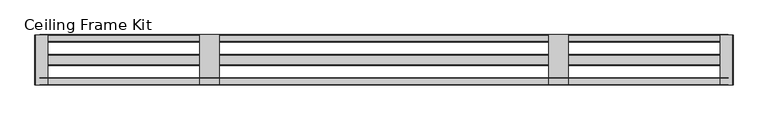
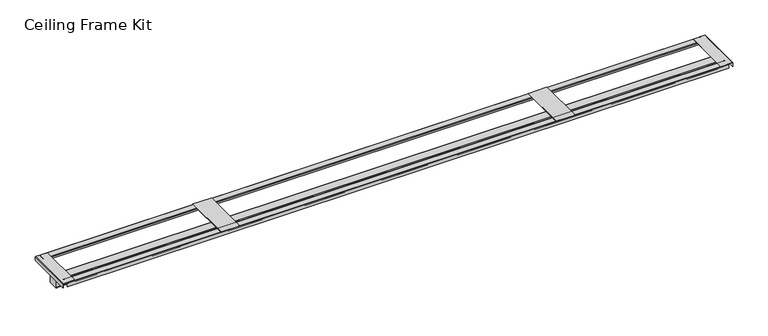
"""IFC4 building model written with IfcOpenShell, lengths in millimetres: proxy geometry, Ceiling Frame Kit."""

import ifcopenshell
import ifcopenshell.guid

model = None  # the IFC model being written
_history = None  # IfcOwnerHistory: only IFC2X3 demands one
_inside = {}  # id of a spatial element -> (the spatial element, [elements in it])
_under = {}  # id of a project, library or spatial element -> (it, [spatial elements below it])
_declared = {}  # id of a project -> (the project, [libraries it declares])
_typed = {}  # id of a type object -> (the type object, [elements of that type])
_made_of = {}  # id of a material, layer set ... -> (it, [elements and type objects made of it])


def new_model(schema):
    """Start an empty IFC model of exactly this schema.

    Asked for "IFC4X3", IfcOpenShell would pick the latest addendum, in which some entities
    have other attributes; the version numbers below select the first issue.
    IFC2X3 requires an IfcOwnerHistory on every rooted entity: one is made here for all.
    """
    global model, _history
    if schema == "IFC4X3":
        model = ifcopenshell.file(schema_version=(4, 3, 0, 0))
    else:
        model = ifcopenshell.file(schema=schema)
    _inside.clear()
    _under.clear()
    _declared.clear()
    _typed.clear()
    _made_of.clear()
    _history = None
    if model.schema == "IFC2X3":
        org = make("IfcOrganization", Name="unknown")
        user = make(
            "IfcPersonAndOrganization",
            ThePerson=make("IfcPerson", FamilyName="unknown"),
            TheOrganization=org,
        )
        app = make(
            "IfcApplication",
            ApplicationDeveloper=org,
            Version="unknown",
            ApplicationFullName="unknown",
            ApplicationIdentifier="unknown",
        )
        _history = make(
            "IfcOwnerHistory",
            OwningUser=user,
            OwningApplication=app,
            ChangeAction="ADDED",
            CreationDate=0,
        )
    return model


def make(cls, **values):
    """One entity of the class cls with the attributes given. An attribute that is None is left unset."""
    return model.create_entity(
        cls, **{name: value for name, value in values.items() if value is not None}
    )


def rooted(cls, **values):
    """An entity with a GlobalId (a new one), such as an element, a storey or a relation."""
    return make(cls, GlobalId=ifcopenshell.guid.new(), OwnerHistory=_history, **values)


def si_unit(unit_type, name, prefix=None):
    """IfcSIUnit, for example si_unit("LENGTHUNIT", "METRE", prefix="MILLI")."""
    return make("IfcSIUnit", UnitType=unit_type, Prefix=prefix, Name=name)


def assignment(units):
    """IfcUnitAssignment: the units of a project."""
    return None if units is None else make("IfcUnitAssignment", Units=units)


def point(xyz):
    """IfcCartesianPoint."""
    return None if xyz is None else make("IfcCartesianPoint", Coordinates=xyz)


def direction(xyz):
    """IfcDirection."""
    return None if xyz is None else make("IfcDirection", DirectionRatios=xyz)


def frame(location, z_axis=None, x_axis=None):
    """IfcAxis2Placement3D, a coordinate frame: its origin and axes. An axis left out is left unset."""
    return make(
        "IfcAxis2Placement3D",
        Location=point(location),
        Axis=direction(z_axis),
        RefDirection=direction(x_axis),
    )


def frame_2d(location, x_axis=None):
    """IfcAxis2Placement2D, a coordinate frame in the plane: its origin and x axis."""
    return make(
        "IfcAxis2Placement2D", Location=point(location), RefDirection=direction(x_axis)
    )


def origin():
    """The frame at (0, 0, 0) with its axes left unset."""
    return frame((0.0, 0.0, 0.0))


def place(relative_to, where):
    """IfcLocalPlacement: puts the frame where relative to a parent placement (None: the world)."""
    return make(
        "IfcLocalPlacement", PlacementRelTo=relative_to, RelativePlacement=where
    )


def context(
    kind, dimensions, precision=None, world=None, true_north=None, identifier=None
):
    """IfcGeometricRepresentationContext, for example the 3D "Model" context."""
    return make(
        "IfcGeometricRepresentationContext",
        ContextIdentifier=identifier,
        ContextType=kind,
        CoordinateSpaceDimension=dimensions,
        Precision=precision,
        WorldCoordinateSystem=world,
        TrueNorth=true_north,
    )


def project(units=None, contexts=None):
    """IfcProject with its units and contexts."""
    return rooted(
        "IfcProject",
        Name="project",
        RepresentationContexts=contexts,
        UnitsInContext=assignment(units),
    )


def spatial(cls, under=None, at=None, **own):
    """A site, building, storey or space (cls), placed at a placement, below another one or the project."""
    s = rooted(cls, ObjectPlacement=at, **own)
    if under is not None:
        _under.setdefault(under.id(), (under, []))[1].append(s)
    return s


def polyline(points):
    """IfcPolyline through the points."""
    return make("IfcPolyline", Points=[point(p) for p in points])


def circle_curve(where, radius):
    """IfcCircle in the frame where."""
    return make("IfcCircle", Position=where, Radius=radius)


def trimmed(basis, trim1, trim2, sense, master):
    """IfcTrimmedCurve: the piece of a basis curve between two trims."""
    return make(
        "IfcTrimmedCurve",
        BasisCurve=basis,
        Trim1=trim1,
        Trim2=trim2,
        SenseAgreement=sense,
        MasterRepresentation=master,
    )


def segment(curve, same_sense, transition):
    """IfcCompositeCurveSegment."""
    return make(
        "IfcCompositeCurveSegment",
        Transition=transition,
        SameSense=same_sense,
        ParentCurve=curve,
    )


def composite_curve(segments, self_intersect=None):
    """IfcCompositeCurve: segments joined end to end."""
    return make("IfcCompositeCurve", Segments=segments, SelfIntersect=self_intersect)


def outline(outer, holes=None, kind="AREA"):
    """IfcArbitraryClosedProfileDef: a profile drawn as a closed curve; with holes, ...WithVoids."""
    if holes is None:
        return make("IfcArbitraryClosedProfileDef", ProfileType=kind, OuterCurve=outer)
    return make(
        "IfcArbitraryProfileDefWithVoids",
        ProfileType=kind,
        OuterCurve=outer,
        InnerCurves=holes,
    )


def extrude(swept, where, along, depth):
    """IfcExtrudedAreaSolid: the profile swept, set in the frame where, extruded along a direction by depth."""
    return make(
        "IfcExtrudedAreaSolid",
        SweptArea=swept,
        Position=where,
        ExtrudedDirection=direction(along),
        Depth=depth,
    )


def shape(context_of_items, identifier, shape_type, items):
    """IfcShapeRepresentation: the items that make up one representation, for example the "Body"."""
    return make(
        "IfcShapeRepresentation",
        ContextOfItems=context_of_items,
        RepresentationIdentifier=identifier,
        RepresentationType=shape_type,
        Items=items,
    )


def source(mapping_origin, context_of_items, identifier, shape_type, items):
    """IfcRepresentationMap: a shape defined once, which mapped items show again and again."""
    return make(
        "IfcRepresentationMap",
        MappingOrigin=mapping_origin,
        MappedRepresentation=shape(context_of_items, identifier, shape_type, items),
    )


def transform(
    local_origin,
    x_axis=None,
    y_axis=None,
    z_axis=None,
    scale=None,
    scale2=None,
    scale3=None,
    uniform=True,
):
    """IfcCartesianTransformationOperator3D, or its non-uniform kind. x_axis, y_axis, z_axis: its Axis1, 2, 3."""
    if uniform:
        return make(
            "IfcCartesianTransformationOperator3D",
            Axis1=direction(x_axis),
            Axis2=direction(y_axis),
            LocalOrigin=point(local_origin),
            Scale=scale,
            Axis3=direction(z_axis),
        )
    return make(
        "IfcCartesianTransformationOperator3DnonUniform",
        Axis1=direction(x_axis),
        Axis2=direction(y_axis),
        LocalOrigin=point(local_origin),
        Scale=scale,
        Axis3=direction(z_axis),
        Scale2=scale2,
        Scale3=scale3,
    )


def mapped(mapping_source, mapping_target):
    """IfcMappedItem: shows the shape of a source again, moved by a transform."""
    return make(
        "IfcMappedItem", MappingSource=mapping_source, MappingTarget=mapping_target
    )


def made_of(thing, what):
    """Note that an element or type object is made of a material, layer set ...; save() writes the relation."""
    if what is not None:
        _made_of.setdefault(what.id(), (what, []))[1].append(thing)
    return thing


def element(
    cls,
    number,
    at=None,
    inside=None,
    cuts=None,
    type_object=None,
    material=None,
    context=None,
    identifier="Body",
    shape_type=None,
    held_by="IfcProductDefinitionShape",
    body=None,
    shapes=None,
    **own,
):
    """One element of the class cls, such as IfcWall. Its Tag is "e" and its number.

    at: its placement. inside: the storey or other place that contains it. cuts: it is an
    opening in that element (IfcRelVoidsElement). A single representation is given by context,
    identifier, shape_type and body (its items); several are given by shapes. held_by: the class
    of the entity that holds the representations. save() writes the other relations.
    """
    e = rooted(cls, Tag="e%d" % number, ObjectPlacement=at, **own)
    if body is not None:
        shapes = [shape(context, identifier, shape_type, body)]
    if shapes is not None:
        e.Representation = make(held_by, Representations=shapes)
    if inside is not None:
        _inside.setdefault(inside.id(), (inside, []))[1].append(e)
    if cuts is not None:
        rooted(
            "IfcRelVoidsElement", RelatingBuildingElement=cuts, RelatedOpeningElement=e
        )
    if type_object is not None:
        _typed.setdefault(type_object.id(), (type_object, []))[1].append(e)
    return made_of(e, material)


def aggregate(whole, parts):
    """IfcRelAggregates: a whole, such as a stair, and the parts it consists of."""
    return rooted("IfcRelAggregates", RelatingObject=whole, RelatedObjects=parts)


def save(model, path):
    """Write the relations noted so far, then the file.

    IfcRelAggregates (storeys below a building ...), IfcRelContainedInSpatialStructure (elements
    in a storey), IfcRelDefinesByType, IfcRelAssociatesMaterial and IfcRelDeclares: one each for
    every whole, place, type object, material and project.
    """
    for whole, parts in _under.values():
        aggregate(whole, parts)
    for where, things in _inside.values():
        rooted(
            "IfcRelContainedInSpatialStructure",
            RelatedElements=things,
            RelatingStructure=where,
        )
    for kind, things in _typed.values():
        rooted("IfcRelDefinesByType", RelatedObjects=things, RelatingType=kind)
    for what, things in _made_of.values():
        rooted("IfcRelAssociatesMaterial", RelatedObjects=things, RelatingMaterial=what)
    for by, libraries in _declared.values():
        rooted("IfcRelDeclares", RelatingContext=by, RelatedDefinitions=libraries)
    model.write(path)


def ceiling_frame_kit_a413b78f(model_context):
    return source(origin(), model_context, "Body", "SweptSolid", [
        extrude(outline(polyline([(144.2215389, -7.7140625), (42.6215389, -7.7140625), (42.6215389, 252.6359375), (144.2215389, 252.6359375), (144.2215389, -7.7140625)])), frame((0.0, 0.0, 3059.1125), z_axis=(0.0, 0.0, 1.0), x_axis=(1.0, 0.0, 0.0)), (0.0, 0.0, 1.0), 1.5875),
        extrude(outline(polyline([(1941.0937389, -7.7140625), (1839.4937389, -7.7140625), (1839.4937389, 252.6359375), (1941.0937389, 252.6359375), (1941.0937389, -7.7140625)])), frame((0.0, 0.0, 3059.1125), z_axis=(0.0, 0.0, 1.0), x_axis=(1.0, 0.0, 0.0)), (0.0, 0.0, 1.0), 1.5875),
        extrude(outline(composite_curve([segment(trimmed(circle_curve(frame_2d((250.3710963, 3056.9111588)), 1.0456412), [point((251.4167375, 3056.9111588))], [point((250.3710963, 3057.9568))], True, "CARTESIAN"), True, "CONTINUOUS"), segment(polyline([(250.3710963, 3057.9568), (216.9675311, 3057.9568)]), True, "CONTINUOUS"), segment(trimmed(circle_curve(frame_2d((216.9675311, 3057.1254064)), 0.8313936), [point((216.9675311, 3057.9568))], [point((216.1361375, 3057.1254064))], True, "CARTESIAN"), True, "CONTINUOUS"), segment(polyline([(216.1361375, 3057.1254064), (216.1361375, 3046.476), (214.9169375, 3046.476), (214.9169375, 3056.9623653)]), True, "CONTINUOUS"), segment(trimmed(circle_curve(frame_2d((217.1305722, 3056.9623653)), 2.2136347), [point((214.9169375, 3056.9623653))], [point((217.1305722, 3059.176))], False, "CARTESIAN"), True, "CONTINUOUS"), segment(polyline([(217.1305722, 3059.176), (250.5056994, 3059.176)]), True, "CONTINUOUS"), segment(trimmed(circle_curve(frame_2d((250.5056994, 3057.0457619)), 2.1302381), [point((250.5056994, 3059.176))], [point((252.6359375, 3057.0457619))], False, "CARTESIAN"), True, "CONTINUOUS"), segment(polyline([(252.6359375, 3057.0457619), (252.6359375, 3038.2837), (251.4167375, 3038.2837), (251.4167375, 3056.9111588)]), True, "CONTINUOUS")], self_intersect=False)), frame((-781.2135522, 0.0, 0.0), z_axis=(1.0, 0.0, 0.0), x_axis=(0.0, 1.0, 0.0)), (0.0, 0.0, 1.0), 3546.1423822),
        extrude(outline(composite_curve([segment(polyline([(28.7857375, 3046.476), (28.7857375, 3056.939757)]), True, "CONTINUOUS"), segment(trimmed(circle_curve(frame_2d((27.7686945, 3056.939757)), 1.017043), [point((28.7857375, 3056.939757))], [point((27.7686945, 3057.9568))], True, "CARTESIAN"), True, "CONTINUOUS"), segment(polyline([(27.7686945, 3057.9568), (-5.6179457, 3057.9568)]), True, "CONTINUOUS"), segment(trimmed(circle_curve(frame_2d((-5.6179457, 3057.0798832)), 0.8769168), [point((-5.6179457, 3057.9568))], [point((-6.4948625, 3057.0798832))], True, "CARTESIAN"), True, "CONTINUOUS"), segment(polyline([(-6.4948625, 3057.0798832), (-6.4948625, 3038.2837), (-7.7140625, 3038.2837), (-7.7140625, 3057.0872847)]), True, "CONTINUOUS"), segment(trimmed(circle_curve(frame_2d((-5.6253472, 3057.0872847)), 2.0887153), [point((-7.7140625, 3057.0872847))], [point((-5.6253472, 3059.176))], False, "CARTESIAN"), True, "CONTINUOUS"), segment(polyline([(-5.6253472, 3059.176), (27.8200722, 3059.176)]), True, "CONTINUOUS"), segment(trimmed(circle_curve(frame_2d((27.8200722, 3056.9911347)), 2.1848653), [point((27.8200722, 3059.176))], [point((30.0049375, 3056.9911347))], False, "CARTESIAN"), True, "CONTINUOUS"), segment(polyline([(30.0049375, 3056.9911347), (30.0049375, 3046.476), (28.7857375, 3046.476)]), True, "CONTINUOUS")], self_intersect=False)), frame((-781.2135522, 0.0, 0.0), z_axis=(1.0, 0.0, 0.0), x_axis=(0.0, 1.0, 0.0)), (0.0, 0.0, 1.0), 3546.1423822),
        extrude(outline(composite_curve([segment(trimmed(circle_curve(frame_2d((145.976614, 2970.0470435)), 3.9112435), [point((149.8878575, 2970.0470435))], [point((145.976614, 2966.1358))], False, "CARTESIAN"), True, "CONTINUOUS"), segment(polyline([(145.976614, 2966.1358), (100.2545068, 2966.1358)]), True, "CONTINUOUS"), segment(trimmed(circle_curve(frame_2d((100.2545068, 2971.3562893)), 5.2204893), [point((100.2545068, 2966.1358))], [point((95.0340175, 2971.3562893))], False, "CARTESIAN"), True, "CONTINUOUS"), segment(polyline([(95.0340175, 2971.3562893), (95.0340175, 3007.4598892)]), True, "CONTINUOUS"), segment(trimmed(circle_curve(frame_2d((97.4741283, 3007.4598892)), 2.4401108), [point((95.0340175, 3007.4598892))], [point((97.4741283, 3009.9))], False, "CARTESIAN"), True, "CONTINUOUS"), segment(polyline([(97.4741283, 3009.9), (147.3816271, 3009.9)]), True, "CONTINUOUS"), segment(trimmed(circle_curve(frame_2d((147.3816271, 3007.3937696)), 2.5062304), [point((147.3816271, 3009.9))], [point((149.8878575, 3007.3937696))], False, "CARTESIAN"), True, "CONTINUOUS"), segment(polyline([(149.8878575, 3007.3937696), (149.8878575, 2970.0470435)]), True, "CONTINUOUS")], self_intersect=False)), frame((-781.2135522, 0.0, 0.0), z_axis=(1.0, 0.0, 0.0), x_axis=(0.0, 1.0, 0.0)), (0.0, 0.0, 1.0), 3546.1423822),
        extrude(outline(composite_curve([segment(trimmed(circle_curve(frame_2d((3058.0375326, -802.3520937)), 1.0749674), [point((3058.0375326, -803.4270611))], [point((3059.1125, -802.3520937))], True, "CARTESIAN"), True, "CONTINUOUS"), segment(polyline([(3059.1125, -802.3520937), (3059.1125, -739.9270611), (3060.7, -739.9270611), (3060.7, -802.4083107)]), True, "CONTINUOUS"), segment(trimmed(circle_curve(frame_2d((3058.0937496, -802.4083107)), 2.6062504), [point((3060.7, -802.4083107))], [point((3058.0937496, -805.0145611))], False, "CARTESIAN"), True, "CONTINUOUS"), segment(polyline([(3058.0937496, -805.0145611), (3038.475, -805.0145611), (3038.475, -803.4270611), (3058.0375326, -803.4270611)]), True, "CONTINUOUS")], self_intersect=False)), frame((0.0, -5.5390625, 0.0), z_axis=(0.0, 1.0, 0.0), x_axis=(0.0, 0.0, 1.0)), (0.0, 0.0, 1.0), 256.0000001),
        extrude(outline(composite_curve([segment(trimmed(circle_curve(frame_2d((3058.3509434, 2786.3807823)), 0.7615566), [point((3059.1125, 2786.3807823))], [point((3058.3509434, 2787.1423389))], True, "CARTESIAN"), True, "CONTINUOUS"), segment(polyline([(3058.3509434, 2787.1423389), (3038.475, 2787.1423389), (3038.475, 2788.7298389), (3058.4519064, 2788.7298389)]), True, "CONTINUOUS"), segment(trimmed(circle_curve(frame_2d((3058.4519064, 2786.4817453)), 2.2480936), [point((3058.4519064, 2788.7298389))], [point((3060.7, 2786.4817453))], False, "CARTESIAN"), True, "CONTINUOUS"), segment(polyline([(3060.7, 2786.4817453), (3060.7, 2723.6423389), (3059.1125, 2723.6423389), (3059.1125, 2786.3807823)]), True, "CONTINUOUS")], self_intersect=False)), frame((0.0, -5.5390625, 0.0), z_axis=(0.0, 1.0, 0.0), x_axis=(0.0, 0.0, 1.0)), (0.0, 0.0, 1.0), 256.0000001),
    ])


if __name__ == "__main__":
    model = new_model("IFC4")
    model_context = context("Model", 3, world=origin())
    ifc_project = project(units=[si_unit("LENGTHUNIT", "METRE", prefix="MILLI")], contexts=[model_context])
    site = spatial("IfcSite", under=ifc_project)
    building = spatial("IfcBuilding", under=site)
    placement = place(None, origin())
    ceiling_frame_kit_shape = ceiling_frame_kit_a413b78f(model_context)
    element("IfcBuildingElementProxy", 1, Name="Ceiling Frame Kit", ObjectType="Ceiling Frame Kit", at=placement, inside=building, context=model_context, shape_type="MappedRepresentation", body=[
        mapped(ceiling_frame_kit_shape, transform((0.0, 0.0, 0.0), x_axis=(1.0, 0.0, 0.0), y_axis=(0.0, 1.0, 0.0), z_axis=(0.0, 0.0, 1.0))),
    ])
    save(model, "model.ifc")
